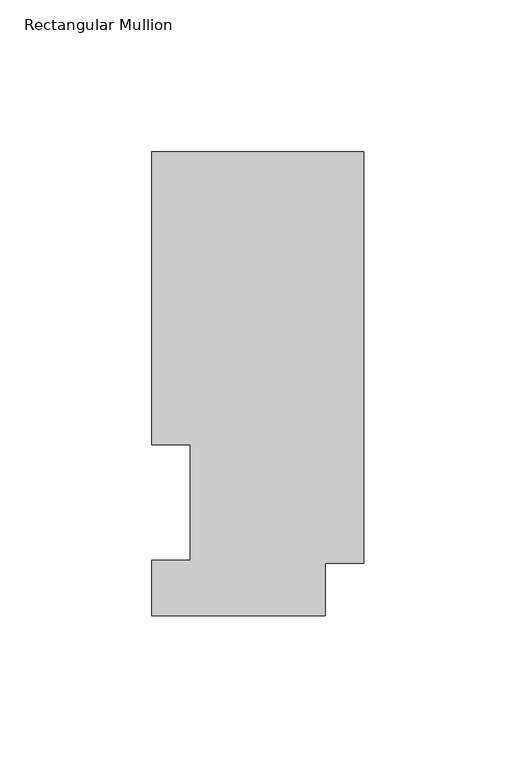
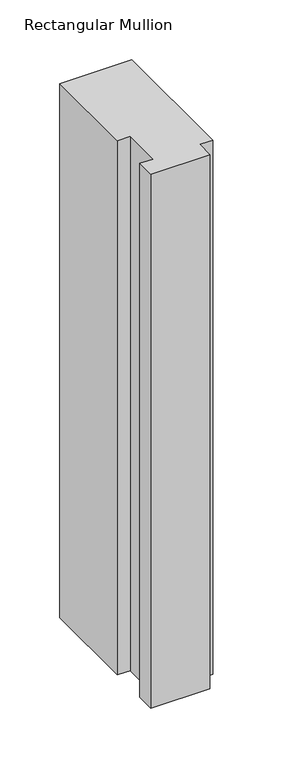
"""IFC4 building model written with IfcOpenShell, lengths in millimetres: member geometry, Rectangular Mullion."""

from ifc_helpers import new_model, si_unit, frame, origin, place, context, project, spatial, polyline, outline, extrude, source, transform, mapped, element, save


def rectangular_mullion_1cb98224(model_context):
    return source(origin(), model_context, "Body", "SweptSolid", [
        extrude(outline(polyline([(0.0, 152.7492337), (0.0, 17.2502333), (-12.7, 17.2502333), (-12.7, -0.0317663), (-69.85, -0.0317663), (-69.85, 18.2562337), (-57.15, 18.2562337), (-57.15, 56.3562337), (-69.85, 56.3562337), (-69.85, 152.7492337), (0.0, 152.7492337)])), frame((0.0, 0.0, -546.1), z_axis=(0.0, 0.0, 1.0), x_axis=(1.0, 0.0, 0.0)), (0.0, 0.0, 1.0), 546.1),
    ])


if __name__ == "__main__":
    model = new_model("IFC4")
    model_context = context("Model", 3, world=origin())
    ifc_project = project(units=[si_unit("LENGTHUNIT", "METRE", prefix="MILLI")], contexts=[model_context])
    site = spatial("IfcSite", under=ifc_project)
    building = spatial("IfcBuilding", under=site)
    placement = place(None, origin())
    rectangular_mullion_shape = rectangular_mullion_1cb98224(model_context)
    element("IfcMember", 1, ObjectType="Rectangular Mullion", at=placement, inside=building, context=model_context, shape_type="MappedRepresentation", body=[
        mapped(rectangular_mullion_shape, transform((0.0, 0.0, 0.0), x_axis=(1.0, 0.0, 0.0), y_axis=(0.0, 1.0, 0.0), z_axis=(0.0, 0.0, 1.0))),
    ])
    save(model, "model.ifc")
